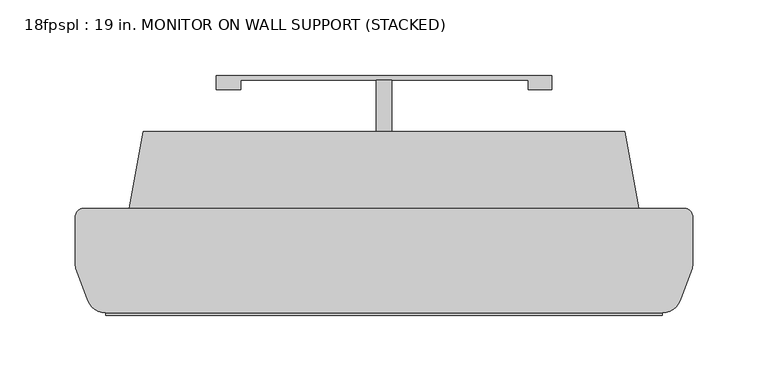
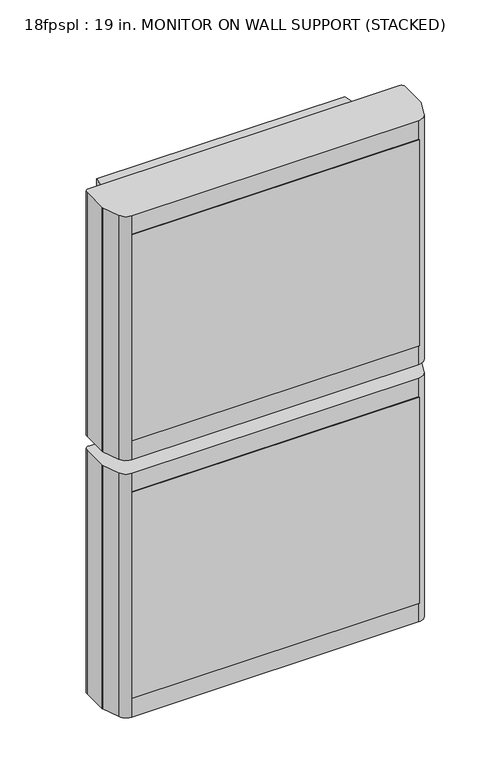
"""IFC4 building model written with IfcOpenShell, lengths in millimetres: proxy geometry, 18fpspl : 19 in. MONITOR ON WALL SUPPORT (STACKED)."""

from ifc_helpers import new_model, si_unit, frame, origin, place, context, project, spatial, polyline, circle_curve, outline, extrude, source, transform, mapped, element, save
from ifc_brep_helpers import plane_surface, cylinder_surface, advanced_brep


def proxy_18fpspl_19_in_monitor_on_wall_support_stacked_e3fafac6(model_context):
    return source(origin(), model_context, "Body", "SolidModel", [
        advanced_brep(
        [(203.9695169, 197.6902152, 1746.8736736), (-194.8104831, 197.6902152, 1746.8736736), (-199.8904831, 192.6102152, 1746.8736736), (-199.8904831, 159.8442152, 1746.8736736), (-199.574569, 158.0807285, 1746.8736736), (-191.6720008, 136.7318216, 1746.8736736), (-179.761786, 128.4405383, 1746.8736736), (188.9208199, 128.4405383, 1746.8736736), (200.8310347, 136.7318216, 1746.8736736), (208.7336029, 158.0807285, 1746.8736736), (209.0495169, 159.8442152, 1746.8736736), (209.0495169, 192.6102152, 1746.8736736), (-194.8104831, 197.6902152, 1416.05), (203.9695169, 197.6902152, 1416.05), (209.0495169, 192.6102152, 1416.05), (209.0495169, 159.8442152, 1416.05), (208.7336029, 158.0807285, 1416.05), (200.8310347, 136.7318216, 1416.05), (188.9208199, 128.4405383, 1416.05), (-179.761786, 128.4405383, 1416.05), (-191.6720008, 136.7318216, 1416.05), (-199.574569, 158.0807285, 1416.05), (-199.8904831, 159.8442152, 1416.05), (-199.8904831, 192.6102152, 1416.05), (-154.9324831, 248.7442152, 1715.2767501), (-154.9324831, 248.7442152, 1447.8946139), (-164.0764831, 197.6902152, 1447.8946139), (-164.0764831, 197.6902152, 1715.2767501), (173.2355169, 197.6902152, 1447.8946139), (173.2355169, 197.6902152, 1715.2767501), (164.0915169, 248.7442152, 1447.8946139), (164.0915169, 248.7442152, 1715.2767501)],
        [
            (0, 1),
            (1, 2, circle_curve(frame((-194.8104831, 192.6102152, 1746.8736736), z_axis=(0.0, 0.0, 1.0), x_axis=(-1.0, 0.0, 0.0)), 5.08)),
            (2, 3),
            (3, 4, circle_curve(frame((-194.8104831, 159.8442152, 1746.8736736), z_axis=(0.0, 0.0, 1.0), x_axis=(-1.0, 0.0, 0.0)), 5.08)),
            (4, 5),
            (5, 6, circle_curve(frame((-179.761786, 141.1405383, 1746.8736736), z_axis=(0.0, 0.0, 1.0), x_axis=(-1.0, 0.0, 0.0)), 12.7)),
            (6, 7),
            (7, 8, circle_curve(frame((188.9208199, 141.1405383, 1746.8736736), z_axis=(0.0, 0.0, 1.0), x_axis=(-1.0, 0.0, 0.0)), 12.7)),
            (8, 9),
            (9, 10, circle_curve(frame((203.9695169, 159.8442152, 1746.8736736), z_axis=(0.0, 0.0, 1.0), x_axis=(-1.0, 0.0, 0.0)), 5.08)),
            (10, 11),
            (11, 0, circle_curve(frame((203.9695169, 192.6102152, 1746.8736736), z_axis=(0.0, 0.0, 1.0), x_axis=(-1.0, 0.0, 0.0)), 5.08)),
            (12, 13),
            (13, 14, circle_curve(frame((203.9695169, 192.6102152, 1416.05), z_axis=(0.0, 0.0, -1.0), x_axis=(-1.0, 0.0, 0.0)), 5.08)),
            (14, 15),
            (15, 16, circle_curve(frame((203.9695169, 159.8442152, 1416.05), z_axis=(0.0, 0.0, -1.0), x_axis=(-1.0, 0.0, 0.0)), 5.08)),
            (16, 17),
            (17, 18, circle_curve(frame((188.9208199, 141.1405383, 1416.05), z_axis=(0.0, 0.0, -1.0), x_axis=(-1.0, 0.0, 0.0)), 12.7)),
            (18, 19),
            (19, 20, circle_curve(frame((-179.761786, 141.1405383, 1416.05), z_axis=(0.0, 0.0, -1.0), x_axis=(-1.0, 0.0, 0.0)), 12.7)),
            (20, 21),
            (21, 22, circle_curve(frame((-194.8104831, 159.8442152, 1416.05), z_axis=(0.0, 0.0, -1.0), x_axis=(-1.0, 0.0, 0.0)), 5.08)),
            (22, 23),
            (23, 12, circle_curve(frame((-194.8104831, 192.6102152, 1416.05), z_axis=(0.0, 0.0, -1.0), x_axis=(-1.0, 0.0, 0.0)), 5.08)),
            (24, 25),
            (25, 26),
            (26, 27),
            (27, 24),
            (0, 13),
            (12, 1),
            (26, 28),
            (28, 29),
            (29, 27),
            (23, 2),
            (22, 3),
            (21, 4),
            (20, 5),
            (19, 6),
            (18, 7),
            (17, 8),
            (16, 9),
            (15, 10),
            (14, 11),
            (28, 30),
            (30, 31),
            (31, 29),
            (24, 31),
            (30, 25),
        ],
        [
            plane_surface(frame((-154.9324831, 248.7442152, 1746.8736736), z_axis=(0.0, 0.0, 1.0), x_axis=(-0.1762991002831067, -0.9843366432473024, 0.0))),
            plane_surface(frame((-154.9324831, 248.7442152, 1416.05), z_axis=(0.0, 0.0, -1.0), x_axis=(0.1762991002831067, 0.9843366432473024, 0.0))),
            plane_surface(frame((-154.9324831, 248.7442152, 1746.8736736), z_axis=(-0.9843366432473024, 0.1762991002831067, 0.0), x_axis=(0.0, 0.0, -1.0))),
            plane_surface(frame((-164.0764831, 197.6902152, 1746.8736736), z_axis=(0.0, 1.0, 0.0), x_axis=(0.0, 0.0, -1.0))),
            cylinder_surface(frame((-194.8104831, 192.6102152, 1416.05), z_axis=(0.0, 0.0, 1.0), x_axis=(-1.0, 0.0, 0.0)), 5.08),
            plane_surface(frame((-199.8904831, 192.6102152, 1746.8736736), z_axis=(-1.0, 0.0, 0.0), x_axis=(0.0, 0.0, -1.0))),
            cylinder_surface(frame((-194.8104831, 159.8442152, 1416.05), z_axis=(0.0, 0.0, 1.0), x_axis=(-1.0, 0.0, 0.0)), 5.08),
            plane_surface(frame((-199.574569, 158.0807285, 1746.8736736), z_axis=(-0.9378121887423232, -0.34714305213605123, 0.0), x_axis=(0.0, 0.0, -1.0))),
            cylinder_surface(frame((-179.761786, 141.1405383, 1416.05), z_axis=(0.0, 0.0, 1.0), x_axis=(-1.0, 0.0, 0.0)), 12.7),
            plane_surface(frame((-179.761786, 128.4405383, 1746.8736736), z_axis=(0.0, -1.0, 0.0), x_axis=(0.0, 0.0, -1.0))),
            cylinder_surface(frame((188.9208199, 141.1405383, 1416.05), z_axis=(0.0, 0.0, 1.0), x_axis=(-1.0, 0.0, 0.0)), 12.7),
            plane_surface(frame((200.8310347, 136.7318216, 1746.8736736), z_axis=(0.937812188742239, -0.34714305213627883, 0.0), x_axis=(0.0, 0.0, -1.0))),
            cylinder_surface(frame((203.9695169, 159.8442152, 1416.05), z_axis=(0.0, 0.0, 1.0), x_axis=(-1.0, 0.0, 0.0)), 5.08),
            plane_surface(frame((209.0495169, 159.8442152, 1746.8736736), z_axis=(1.0, 0.0, 0.0), x_axis=(0.0, 0.0, -1.0))),
            cylinder_surface(frame((203.9695169, 192.6102152, 1416.05), z_axis=(0.0, 0.0, 1.0), x_axis=(-1.0, 0.0, 0.0)), 5.08),
            plane_surface(frame((173.2355169, 197.6902152, 1746.8736736), z_axis=(0.9843366432472832, 0.17629910028321383, 0.0), x_axis=(0.0, 0.0, -1.0))),
            plane_surface(frame((164.0915169, 248.7442152, 1746.8736736), z_axis=(0.0, 1.0, 0.0), x_axis=(0.0, 0.0, -1.0))),
            plane_surface(frame((173.2355169, 248.7442152, 1715.2767501), z_axis=(0.0, 0.0, 1.0), x_axis=(0.0, -1.0, 0.0))),
            plane_surface(frame((-164.0764831, 248.7442152, 1447.8946139), z_axis=(0.0, 0.0, -1.0), x_axis=(0.0, -1.0, 0.0))),
        ],
        [
            (0, [[1, 2, 3, 4, 5, 6, 7, 8, 9, 10, 11, 12]]),
            (1, [[13, 14, 15, 16, 17, 18, 19, 20, 21, 22, 23, 24]]),
            (2, [[25, 26, 27, 28]]),
            (3, [[29, -13, 30, -1], [31, 32, 33, -27]]),
            (4, [[-2, -30, -24, 34]]),
            (5, [[-3, -34, -23, 35]]),
            (6, [[-4, -35, -22, 36]]),
            (7, [[-5, -36, -21, 37]]),
            (8, [[-6, -37, -20, 38]]),
            (9, [[-7, -38, -19, 39]]),
            (10, [[-8, -39, -18, 40]]),
            (11, [[-9, -40, -17, 41]]),
            (12, [[-10, -41, -16, 42]]),
            (13, [[-11, -42, -15, 43]]),
            (14, [[-12, -43, -14, -29]]),
            (15, [[-32, 44, 45, 46]]),
            (16, [[-25, 47, -45, 48]]),
            (17, [[-33, -46, -47, -28]]),
            (18, [[-31, -26, -48, -44]]),
        ],
    ),
        extrude(outline(polyline([(-179.761786, 139.2166957), (188.9208199, 139.2166957), (188.9208199, 126.8530383), (-179.761786, 126.8530383), (-179.761786, 139.2166957)])), frame((0.0, 0.0, 1442.5202929), z_axis=(0.0, 0.0, 1.0), x_axis=(1.0, 0.0, 0.0)), (0.0, 0.0, 1.0), 279.4),
        extrude(outline(polyline([(9.6595169, 283.0607253), (9.6595169, 248.7442152), (-0.5004831, 248.7442152), (-0.5004831, 283.0607253), (9.6595169, 283.0607253)])), frame((0.0, 0.0, 1315.4174753), z_axis=(0.0, 0.0, 1.0), x_axis=(1.0, 0.0, 0.0)), (0.0, 0.0, 1.0), 200.66),
        advanced_brep(
        [(203.9695169, 197.6902152, 1397.6236736), (-194.8104831, 197.6902152, 1397.6236736), (-199.8904831, 192.6102152, 1397.6236736), (-199.8904831, 159.8442152, 1397.6236736), (-199.574569, 158.0807285, 1397.6236736), (-191.6720008, 136.7318216, 1397.6236736), (-179.761786, 128.4405383, 1397.6236736), (188.9208199, 128.4405383, 1397.6236736), (200.8310347, 136.7318216, 1397.6236736), (208.7336029, 158.0807285, 1397.6236736), (209.0495169, 159.8442152, 1397.6236736), (209.0495169, 192.6102152, 1397.6236736), (-194.8104831, 197.6902152, 1066.8), (203.9695169, 197.6902152, 1066.8), (209.0495169, 192.6102152, 1066.8), (209.0495169, 159.8442152, 1066.8), (208.7336029, 158.0807285, 1066.8), (200.8310347, 136.7318216, 1066.8), (188.9208199, 128.4405383, 1066.8), (-179.761786, 128.4405383, 1066.8), (-191.6720008, 136.7318216, 1066.8), (-199.574569, 158.0807285, 1066.8), (-199.8904831, 159.8442152, 1066.8), (-199.8904831, 192.6102152, 1066.8), (-154.9324831, 248.7442152, 1366.0267501), (-154.9324831, 248.7442152, 1098.6446139), (-164.0764831, 197.6902152, 1098.6446139), (-164.0764831, 197.6902152, 1366.0267501), (173.2355169, 197.6902152, 1098.6446139), (173.2355169, 197.6902152, 1366.0267501), (164.0915169, 248.7442152, 1098.6446139), (164.0915169, 248.7442152, 1366.0267501)],
        [
            (0, 1),
            (1, 2, circle_curve(frame((-194.8104831, 192.6102152, 1397.6236736), z_axis=(0.0, 0.0, 1.0), x_axis=(-1.0, 0.0, 0.0)), 5.08)),
            (2, 3),
            (3, 4, circle_curve(frame((-194.8104831, 159.8442152, 1397.6236736), z_axis=(0.0, 0.0, 1.0), x_axis=(-1.0, 0.0, 0.0)), 5.08)),
            (4, 5),
            (5, 6, circle_curve(frame((-179.761786, 141.1405383, 1397.6236736), z_axis=(0.0, 0.0, 1.0), x_axis=(-1.0, 0.0, 0.0)), 12.7)),
            (6, 7),
            (7, 8, circle_curve(frame((188.9208199, 141.1405383, 1397.6236736), z_axis=(0.0, 0.0, 1.0), x_axis=(-1.0, 0.0, 0.0)), 12.7)),
            (8, 9),
            (9, 10, circle_curve(frame((203.9695169, 159.8442152, 1397.6236736), z_axis=(0.0, 0.0, 1.0), x_axis=(-1.0, 0.0, 0.0)), 5.08)),
            (10, 11),
            (11, 0, circle_curve(frame((203.9695169, 192.6102152, 1397.6236736), z_axis=(0.0, 0.0, 1.0), x_axis=(-1.0, 0.0, 0.0)), 5.08)),
            (12, 13),
            (13, 14, circle_curve(frame((203.9695169, 192.6102152, 1066.8), z_axis=(0.0, 0.0, -1.0), x_axis=(-1.0, 0.0, 0.0)), 5.08)),
            (14, 15),
            (15, 16, circle_curve(frame((203.9695169, 159.8442152, 1066.8), z_axis=(0.0, 0.0, -1.0), x_axis=(-1.0, 0.0, 0.0)), 5.08)),
            (16, 17),
            (17, 18, circle_curve(frame((188.9208199, 141.1405383, 1066.8), z_axis=(0.0, 0.0, -1.0), x_axis=(-1.0, 0.0, 0.0)), 12.7)),
            (18, 19),
            (19, 20, circle_curve(frame((-179.761786, 141.1405383, 1066.8), z_axis=(0.0, 0.0, -1.0), x_axis=(-1.0, 0.0, 0.0)), 12.7)),
            (20, 21),
            (21, 22, circle_curve(frame((-194.8104831, 159.8442152, 1066.8), z_axis=(0.0, 0.0, -1.0), x_axis=(-1.0, 0.0, 0.0)), 5.08)),
            (22, 23),
            (23, 12, circle_curve(frame((-194.8104831, 192.6102152, 1066.8), z_axis=(0.0, 0.0, -1.0), x_axis=(-1.0, 0.0, 0.0)), 5.08)),
            (24, 25),
            (25, 26),
            (26, 27),
            (27, 24),
            (0, 13),
            (12, 1),
            (26, 28),
            (28, 29),
            (29, 27),
            (23, 2),
            (22, 3),
            (21, 4),
            (20, 5),
            (19, 6),
            (18, 7),
            (17, 8),
            (16, 9),
            (15, 10),
            (14, 11),
            (28, 30),
            (30, 31),
            (31, 29),
            (24, 31),
            (30, 25),
        ],
        [
            plane_surface(frame((-154.9324831, 248.7442152, 1397.6236736), z_axis=(0.0, 0.0, 1.0), x_axis=(-0.1762991002831067, -0.9843366432473024, 0.0))),
            plane_surface(frame((-154.9324831, 248.7442152, 1066.8), z_axis=(0.0, 0.0, -1.0), x_axis=(0.1762991002831067, 0.9843366432473024, 0.0))),
            plane_surface(frame((-154.9324831, 248.7442152, 1397.6236736), z_axis=(-0.9843366432473024, 0.1762991002831067, 0.0), x_axis=(0.0, 0.0, -1.0))),
            plane_surface(frame((-164.0764831, 197.6902152, 1397.6236736), z_axis=(0.0, 1.0, 0.0), x_axis=(0.0, 0.0, -1.0))),
            cylinder_surface(frame((-194.8104831, 192.6102152, 1066.8), z_axis=(0.0, 0.0, 1.0), x_axis=(-1.0, 0.0, 0.0)), 5.08),
            plane_surface(frame((-199.8904831, 192.6102152, 1397.6236736), z_axis=(-1.0, 0.0, 0.0), x_axis=(0.0, 0.0, -1.0))),
            cylinder_surface(frame((-194.8104831, 159.8442152, 1066.8), z_axis=(0.0, 0.0, 1.0), x_axis=(-1.0, 0.0, 0.0)), 5.08),
            plane_surface(frame((-199.574569, 158.0807285, 1397.6236736), z_axis=(-0.9378121887423232, -0.34714305213605123, 0.0), x_axis=(0.0, 0.0, -1.0))),
            cylinder_surface(frame((-179.761786, 141.1405383, 1066.8), z_axis=(0.0, 0.0, 1.0), x_axis=(-1.0, 0.0, 0.0)), 12.7),
            plane_surface(frame((-179.761786, 128.4405383, 1397.6236736), z_axis=(0.0, -1.0, 0.0), x_axis=(0.0, 0.0, -1.0))),
            cylinder_surface(frame((188.9208199, 141.1405383, 1066.8), z_axis=(0.0, 0.0, 1.0), x_axis=(-1.0, 0.0, 0.0)), 12.7),
            plane_surface(frame((200.8310347, 136.7318216, 1397.6236736), z_axis=(0.937812188742239, -0.34714305213627883, 0.0), x_axis=(0.0, 0.0, -1.0))),
            cylinder_surface(frame((203.9695169, 159.8442152, 1066.8), z_axis=(0.0, 0.0, 1.0), x_axis=(-1.0, 0.0, 0.0)), 5.08),
            plane_surface(frame((209.0495169, 159.8442152, 1397.6236736), z_axis=(1.0, 0.0, 0.0), x_axis=(0.0, 0.0, -1.0))),
            cylinder_surface(frame((203.9695169, 192.6102152, 1066.8), z_axis=(0.0, 0.0, 1.0), x_axis=(-1.0, 0.0, 0.0)), 5.08),
            plane_surface(frame((173.2355169, 197.6902152, 1397.6236736), z_axis=(0.9843366432472832, 0.17629910028321383, 0.0), x_axis=(0.0, 0.0, -1.0))),
            plane_surface(frame((164.0915169, 248.7442152, 1397.6236736), z_axis=(0.0, 1.0, 0.0), x_axis=(0.0, 0.0, -1.0))),
            plane_surface(frame((173.2355169, 248.7442152, 1366.0267501), z_axis=(0.0, 0.0, 1.0), x_axis=(0.0, -1.0, 0.0))),
            plane_surface(frame((-164.0764831, 248.7442152, 1098.6446139), z_axis=(0.0, 0.0, -1.0), x_axis=(0.0, -1.0, 0.0))),
        ],
        [
            (0, [[1, 2, 3, 4, 5, 6, 7, 8, 9, 10, 11, 12]]),
            (1, [[13, 14, 15, 16, 17, 18, 19, 20, 21, 22, 23, 24]]),
            (2, [[25, 26, 27, 28]]),
            (3, [[29, -13, 30, -1], [31, 32, 33, -27]]),
            (4, [[-2, -30, -24, 34]]),
            (5, [[-3, -34, -23, 35]]),
            (6, [[-4, -35, -22, 36]]),
            (7, [[-5, -36, -21, 37]]),
            (8, [[-6, -37, -20, 38]]),
            (9, [[-7, -38, -19, 39]]),
            (10, [[-8, -39, -18, 40]]),
            (11, [[-9, -40, -17, 41]]),
            (12, [[-10, -41, -16, 42]]),
            (13, [[-11, -42, -15, 43]]),
            (14, [[-12, -43, -14, -29]]),
            (15, [[-32, 44, 45, 46]]),
            (16, [[-25, 47, -45, 48]]),
            (17, [[-33, -46, -47, -28]]),
            (18, [[-31, -26, -48, -44]]),
        ],
    ),
        extrude(outline(polyline([(-106.5454831, 286.0541477), (115.7045169, 286.0541477), (115.7045169, 276.7107253), (100.0561074, 276.7107253), (100.0561074, 283.0607253), (-90.4438926, 283.0607253), (-90.4438926, 276.7107253), (-106.5454831, 276.7107253), (-106.5454831, 286.0541477)])), frame((0.0, 0.0, 1315.4174753), z_axis=(0.0, 0.0, 1.0), x_axis=(1.0, 0.0, 0.0)), (0.0, 0.0, 1.0), 200.66),
        extrude(outline(polyline([(-179.761786, 139.2166957), (188.9208199, 139.2166957), (188.9208199, 126.8530383), (-179.761786, 126.8530383), (-179.761786, 139.2166957)])), frame((0.0, 0.0, 1093.2702929), z_axis=(0.0, 0.0, 1.0), x_axis=(1.0, 0.0, 0.0)), (0.0, 0.0, 1.0), 279.4),
    ])


if __name__ == "__main__":
    model = new_model("IFC4")
    model_context = context("Model", 3, world=origin())
    ifc_project = project(units=[si_unit("LENGTHUNIT", "METRE", prefix="MILLI")], contexts=[model_context])
    site = spatial("IfcSite", under=ifc_project)
    building = spatial("IfcBuilding", under=site)
    placement = place(None, origin())
    proxy_18fpspl_19_in_monitor_on_wall_support_stacked_shape = proxy_18fpspl_19_in_monitor_on_wall_support_stacked_e3fafac6(model_context)
    element("IfcBuildingElementProxy", 1, Name="18fpspl : 19 in. MONITOR ON WALL SUPPORT (STACKED)", ObjectType="18fpspl : 19 in. MONITOR ON WALL SUPPORT (STACKED)", at=placement, inside=building, context=model_context, shape_type="MappedRepresentation", body=[
        mapped(proxy_18fpspl_19_in_monitor_on_wall_support_stacked_shape, transform((0.0, 0.0, 0.0), x_axis=(1.0, 0.0, 0.0), y_axis=(0.0, 1.0, 0.0), z_axis=(0.0, 0.0, 1.0))),
    ])
    save(model, "model.ifc")
